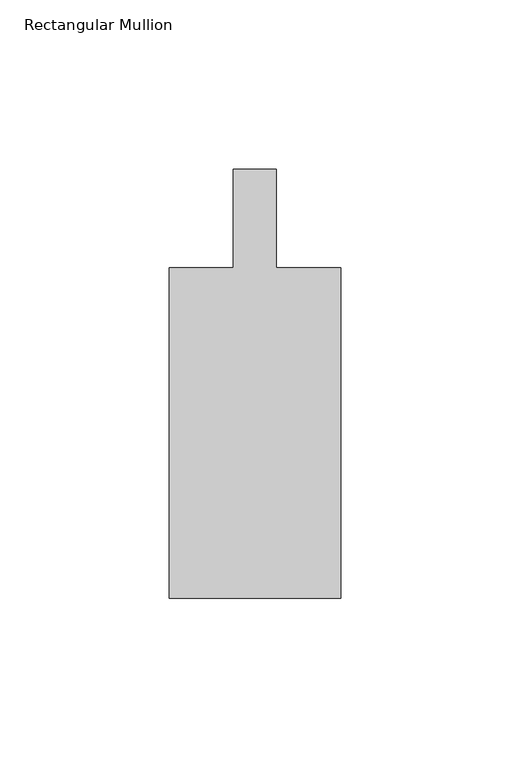
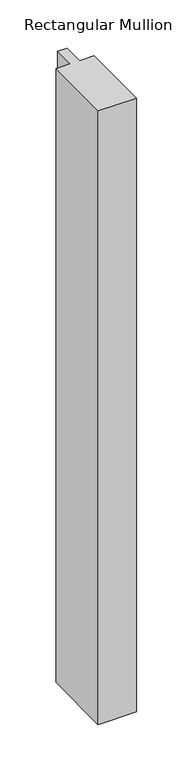
"""IFC4 building model written with IfcOpenShell, lengths in millimetres: member geometry, Rectangular Mullion."""

from ifc_helpers import new_model, si_unit, frame, origin, place, context, project, spatial, polyline, outline, extrude, source, transform, mapped, element, save


def rectangular_mullion_141205f4(model_context):
    return source(origin(), model_context, "Body", "SweptSolid", [
        extrude(outline(polyline([(25.4, -152.3998833), (-25.4, -152.3998833), (-25.4, -54.6098833), (-6.3510809, -54.6098833), (-6.3510809, -25.4), (6.3489191, -25.4), (6.3489191, -54.6098833), (25.4, -54.6098833), (25.4, -152.3998833)])), frame((0.0, 0.0, -863.6), z_axis=(0.0, 0.0, 1.0), x_axis=(1.0, 0.0, 0.0)), (0.0, 0.0, 1.0), 863.6),
    ])


if __name__ == "__main__":
    model = new_model("IFC4")
    model_context = context("Model", 3, world=origin())
    ifc_project = project(units=[si_unit("LENGTHUNIT", "METRE", prefix="MILLI")], contexts=[model_context])
    site = spatial("IfcSite", under=ifc_project)
    building = spatial("IfcBuilding", under=site)
    placement = place(None, origin())
    rectangular_mullion_shape = rectangular_mullion_141205f4(model_context)
    element("IfcMember", 1, ObjectType="Rectangular Mullion", at=placement, inside=building, context=model_context, shape_type="MappedRepresentation", body=[
        mapped(rectangular_mullion_shape, transform((0.0, 0.0, 0.0), x_axis=(1.0, 0.0, 0.0), y_axis=(0.0, 1.0, 0.0), z_axis=(0.0, 0.0, 1.0))),
    ])
    save(model, "model.ifc")
